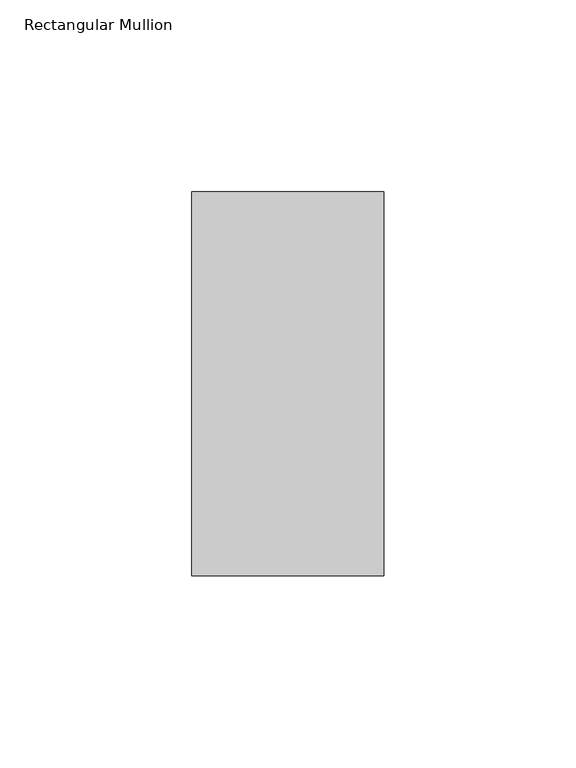
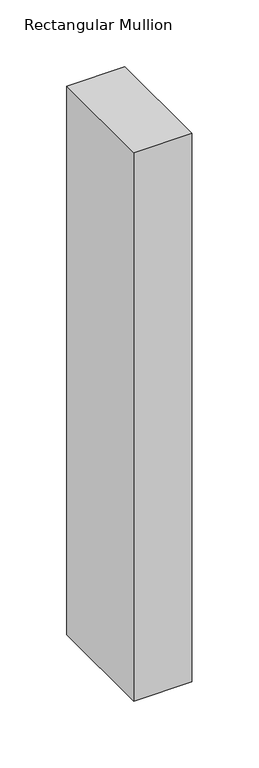
"""IFC4 building model written with IfcOpenShell, lengths in millimetres: member geometry, Rectangular Mullion."""

import ifcopenshell
import ifcopenshell.guid

model = None  # the IFC model being written
_history = None  # IfcOwnerHistory: only IFC2X3 demands one
_inside = {}  # id of a spatial element -> (the spatial element, [elements in it])
_under = {}  # id of a project, library or spatial element -> (it, [spatial elements below it])
_declared = {}  # id of a project -> (the project, [libraries it declares])
_typed = {}  # id of a type object -> (the type object, [elements of that type])
_made_of = {}  # id of a material, layer set ... -> (it, [elements and type objects made of it])


def new_model(schema):
    """Start an empty IFC model of exactly this schema.

    Asked for "IFC4X3", IfcOpenShell would pick the latest addendum, in which some entities
    have other attributes; the version numbers below select the first issue.
    IFC2X3 requires an IfcOwnerHistory on every rooted entity: one is made here for all.
    """
    global model, _history
    if schema == "IFC4X3":
        model = ifcopenshell.file(schema_version=(4, 3, 0, 0))
    else:
        model = ifcopenshell.file(schema=schema)
    _inside.clear()
    _under.clear()
    _declared.clear()
    _typed.clear()
    _made_of.clear()
    _history = None
    if model.schema == "IFC2X3":
        org = make("IfcOrganization", Name="unknown")
        user = make(
            "IfcPersonAndOrganization",
            ThePerson=make("IfcPerson", FamilyName="unknown"),
            TheOrganization=org,
        )
        app = make(
            "IfcApplication",
            ApplicationDeveloper=org,
            Version="unknown",
            ApplicationFullName="unknown",
            ApplicationIdentifier="unknown",
        )
        _history = make(
            "IfcOwnerHistory",
            OwningUser=user,
            OwningApplication=app,
            ChangeAction="ADDED",
            CreationDate=0,
        )
    return model


def make(cls, **values):
    """One entity of the class cls with the attributes given. An attribute that is None is left unset."""
    return model.create_entity(
        cls, **{name: value for name, value in values.items() if value is not None}
    )


def rooted(cls, **values):
    """An entity with a GlobalId (a new one), such as an element, a storey or a relation."""
    return make(cls, GlobalId=ifcopenshell.guid.new(), OwnerHistory=_history, **values)


def si_unit(unit_type, name, prefix=None):
    """IfcSIUnit, for example si_unit("LENGTHUNIT", "METRE", prefix="MILLI")."""
    return make("IfcSIUnit", UnitType=unit_type, Prefix=prefix, Name=name)


def assignment(units):
    """IfcUnitAssignment: the units of a project."""
    return None if units is None else make("IfcUnitAssignment", Units=units)


def point(xyz):
    """IfcCartesianPoint."""
    return None if xyz is None else make("IfcCartesianPoint", Coordinates=xyz)


def direction(xyz):
    """IfcDirection."""
    return None if xyz is None else make("IfcDirection", DirectionRatios=xyz)


def frame(location, z_axis=None, x_axis=None):
    """IfcAxis2Placement3D, a coordinate frame: its origin and axes. An axis left out is left unset."""
    return make(
        "IfcAxis2Placement3D",
        Location=point(location),
        Axis=direction(z_axis),
        RefDirection=direction(x_axis),
    )


def origin():
    """The frame at (0, 0, 0) with its axes left unset."""
    return frame((0.0, 0.0, 0.0))


def place(relative_to, where):
    """IfcLocalPlacement: puts the frame where relative to a parent placement (None: the world)."""
    return make(
        "IfcLocalPlacement", PlacementRelTo=relative_to, RelativePlacement=where
    )


def context(
    kind, dimensions, precision=None, world=None, true_north=None, identifier=None
):
    """IfcGeometricRepresentationContext, for example the 3D "Model" context."""
    return make(
        "IfcGeometricRepresentationContext",
        ContextIdentifier=identifier,
        ContextType=kind,
        CoordinateSpaceDimension=dimensions,
        Precision=precision,
        WorldCoordinateSystem=world,
        TrueNorth=true_north,
    )


def project(units=None, contexts=None):
    """IfcProject with its units and contexts."""
    return rooted(
        "IfcProject",
        Name="project",
        RepresentationContexts=contexts,
        UnitsInContext=assignment(units),
    )


def spatial(cls, under=None, at=None, **own):
    """A site, building, storey or space (cls), placed at a placement, below another one or the project."""
    s = rooted(cls, ObjectPlacement=at, **own)
    if under is not None:
        _under.setdefault(under.id(), (under, []))[1].append(s)
    return s


def polyline(points):
    """IfcPolyline through the points."""
    return make("IfcPolyline", Points=[point(p) for p in points])


def outline(outer, holes=None, kind="AREA"):
    """IfcArbitraryClosedProfileDef: a profile drawn as a closed curve; with holes, ...WithVoids."""
    if holes is None:
        return make("IfcArbitraryClosedProfileDef", ProfileType=kind, OuterCurve=outer)
    return make(
        "IfcArbitraryProfileDefWithVoids",
        ProfileType=kind,
        OuterCurve=outer,
        InnerCurves=holes,
    )


def extrude(swept, where, along, depth):
    """IfcExtrudedAreaSolid: the profile swept, set in the frame where, extruded along a direction by depth."""
    return make(
        "IfcExtrudedAreaSolid",
        SweptArea=swept,
        Position=where,
        ExtrudedDirection=direction(along),
        Depth=depth,
    )


def shape(context_of_items, identifier, shape_type, items):
    """IfcShapeRepresentation: the items that make up one representation, for example the "Body"."""
    return make(
        "IfcShapeRepresentation",
        ContextOfItems=context_of_items,
        RepresentationIdentifier=identifier,
        RepresentationType=shape_type,
        Items=items,
    )


def source(mapping_origin, context_of_items, identifier, shape_type, items):
    """IfcRepresentationMap: a shape defined once, which mapped items show again and again."""
    return make(
        "IfcRepresentationMap",
        MappingOrigin=mapping_origin,
        MappedRepresentation=shape(context_of_items, identifier, shape_type, items),
    )


def transform(
    local_origin,
    x_axis=None,
    y_axis=None,
    z_axis=None,
    scale=None,
    scale2=None,
    scale3=None,
    uniform=True,
):
    """IfcCartesianTransformationOperator3D, or its non-uniform kind. x_axis, y_axis, z_axis: its Axis1, 2, 3."""
    if uniform:
        return make(
            "IfcCartesianTransformationOperator3D",
            Axis1=direction(x_axis),
            Axis2=direction(y_axis),
            LocalOrigin=point(local_origin),
            Scale=scale,
            Axis3=direction(z_axis),
        )
    return make(
        "IfcCartesianTransformationOperator3DnonUniform",
        Axis1=direction(x_axis),
        Axis2=direction(y_axis),
        LocalOrigin=point(local_origin),
        Scale=scale,
        Axis3=direction(z_axis),
        Scale2=scale2,
        Scale3=scale3,
    )


def mapped(mapping_source, mapping_target):
    """IfcMappedItem: shows the shape of a source again, moved by a transform."""
    return make(
        "IfcMappedItem", MappingSource=mapping_source, MappingTarget=mapping_target
    )


def made_of(thing, what):
    """Note that an element or type object is made of a material, layer set ...; save() writes the relation."""
    if what is not None:
        _made_of.setdefault(what.id(), (what, []))[1].append(thing)
    return thing


def element(
    cls,
    number,
    at=None,
    inside=None,
    cuts=None,
    type_object=None,
    material=None,
    context=None,
    identifier="Body",
    shape_type=None,
    held_by="IfcProductDefinitionShape",
    body=None,
    shapes=None,
    **own,
):
    """One element of the class cls, such as IfcWall. Its Tag is "e" and its number.

    at: its placement. inside: the storey or other place that contains it. cuts: it is an
    opening in that element (IfcRelVoidsElement). A single representation is given by context,
    identifier, shape_type and body (its items); several are given by shapes. held_by: the class
    of the entity that holds the representations. save() writes the other relations.
    """
    e = rooted(cls, Tag="e%d" % number, ObjectPlacement=at, **own)
    if body is not None:
        shapes = [shape(context, identifier, shape_type, body)]
    if shapes is not None:
        e.Representation = make(held_by, Representations=shapes)
    if inside is not None:
        _inside.setdefault(inside.id(), (inside, []))[1].append(e)
    if cuts is not None:
        rooted(
            "IfcRelVoidsElement", RelatingBuildingElement=cuts, RelatedOpeningElement=e
        )
    if type_object is not None:
        _typed.setdefault(type_object.id(), (type_object, []))[1].append(e)
    return made_of(e, material)


def aggregate(whole, parts):
    """IfcRelAggregates: a whole, such as a stair, and the parts it consists of."""
    return rooted("IfcRelAggregates", RelatingObject=whole, RelatedObjects=parts)


def save(model, path):
    """Write the relations noted so far, then the file.

    IfcRelAggregates (storeys below a building ...), IfcRelContainedInSpatialStructure (elements
    in a storey), IfcRelDefinesByType, IfcRelAssociatesMaterial and IfcRelDeclares: one each for
    every whole, place, type object, material and project.
    """
    for whole, parts in _under.values():
        aggregate(whole, parts)
    for where, things in _inside.values():
        rooted(
            "IfcRelContainedInSpatialStructure",
            RelatedElements=things,
            RelatingStructure=where,
        )
    for kind, things in _typed.values():
        rooted("IfcRelDefinesByType", RelatedObjects=things, RelatingType=kind)
    for what, things in _made_of.values():
        rooted("IfcRelAssociatesMaterial", RelatedObjects=things, RelatingMaterial=what)
    for by, libraries in _declared.values():
        rooted("IfcRelDeclares", RelatingContext=by, RelatedDefinitions=libraries)
    model.write(path)


def rectangular_mullion_76236732(model_context):
    return source(origin(), model_context, "Body", "SweptSolid", [
        extrude(outline(polyline([(0.0, 31.0), (0.0, -69.0), (-50.0, -69.0), (-50.0, 31.0), (0.0, 31.0)])), frame((0.0, 0.0, -500.0), z_axis=(0.0, 0.0, 1.0), x_axis=(1.0, 0.0, 0.0)), (0.0, 0.0, 1.0), 500.0),
    ])


if __name__ == "__main__":
    model = new_model("IFC4")
    model_context = context("Model", 3, world=origin())
    ifc_project = project(units=[si_unit("LENGTHUNIT", "METRE", prefix="MILLI")], contexts=[model_context])
    site = spatial("IfcSite", under=ifc_project)
    building = spatial("IfcBuilding", under=site)
    placement = place(None, origin())
    rectangular_mullion_shape = rectangular_mullion_76236732(model_context)
    element("IfcMember", 1, ObjectType="Rectangular Mullion", at=placement, inside=building, context=model_context, shape_type="MappedRepresentation", body=[
        mapped(rectangular_mullion_shape, transform((0.0, 0.0, 0.0), x_axis=(1.0, 0.0, 0.0), y_axis=(0.0, 1.0, 0.0), z_axis=(0.0, 0.0, 1.0))),
    ])
    save(model, "model.ifc")
